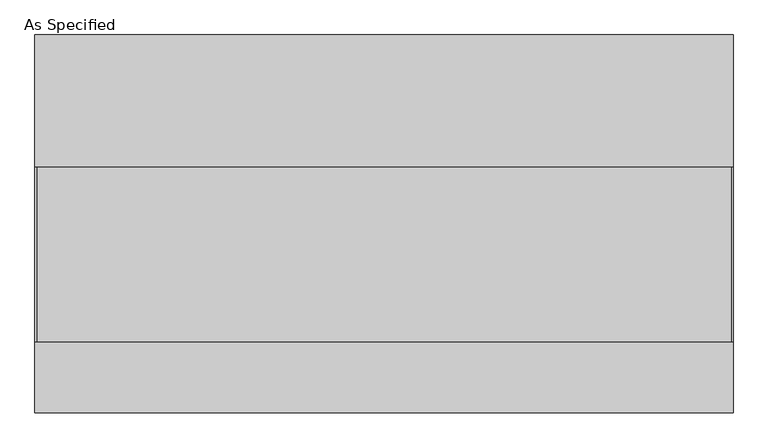
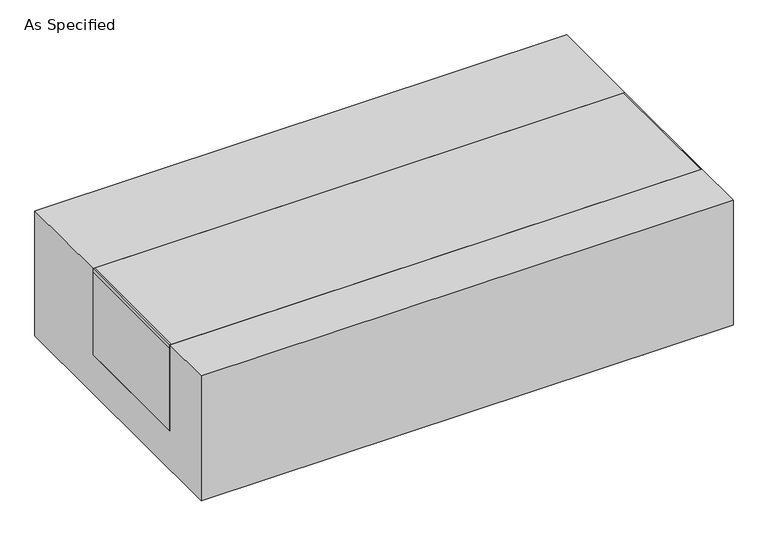
"""IFC4 building model written with IfcOpenShell, lengths in millimetres: proxy geometry, As Specified."""

from ifc_helpers import new_model, si_unit, point, frame, frame_2d, origin, place, context, project, spatial, polyline, circle_curve, trimmed, segment, composite_curve, outline, extrude, source, transform, mapped, element, save


def as_specified_6a3b7530(model_context):
    return source(origin(), model_context, "Body", "SweptSolid", [
        extrude(outline(composite_curve([segment(trimmed(circle_curve(frame_2d((694.4125, -499.275)), 10.5), [point((694.4125, -509.775))], [point((694.4125, -488.775))], False, "CARTESIAN"), True, "CONTINUOUS"), segment(trimmed(circle_curve(frame_2d((694.4125, -499.275)), 10.5), [point((694.4125, -488.775))], [point((694.4125, -509.775))], False, "CARTESIAN"), True, "CONTINUOUS")], self_intersect=False)), frame((0.0, 0.0, -562.225), z_axis=(0.0, 0.0, 1.0), x_axis=(1.0, 0.0, 0.0)), (0.0, 0.0, 1.0), 32.0),
        extrude(outline(polyline([(-1008.85625, -342.9), (-1014.4125, -342.9), (-1014.4125, 165.1), (-1008.85625, 165.1), (-1008.85625, -342.9)])), frame((0.0, 0.0, -39.6875), z_axis=(0.0, 0.0, 1.0), x_axis=(1.0, 0.0, 0.0)), (0.0, 0.0, 1.0), 14.2875),
        extrude(outline(polyline([(1010.44375, 165.1), (1014.4125, 165.1), (1014.4125, -342.9), (1010.44375, -342.9), (1010.44375, 165.1)])), frame((0.0, 0.0, -39.6875), z_axis=(0.0, 0.0, 1.0), x_axis=(1.0, 0.0, 0.0)), (0.0, 0.0, 1.0), 14.2875),
        extrude(outline(polyline([(1014.4125, 165.1), (1014.4125, -342.9), (-1014.4125, -342.9), (-1014.4125, 165.1), (1014.4125, 165.1)])), frame((0.0, 0.0, -373.0625), z_axis=(0.0, 0.0, 1.0), x_axis=(1.0, 0.0, 0.0)), (0.0, 0.0, 1.0), 347.6625),
        extrude(outline(polyline([(549.275, -25.4), (549.275, -530.225), (-549.275, -530.225), (-549.275, -25.4), (-342.9, -25.4), (-342.9, -373.0625), (165.1, -373.0625), (165.1, -25.4), (549.275, -25.4)])), frame((-1014.4125, 0.0, 0.0), z_axis=(1.0, 0.0, 0.0), x_axis=(0.0, 1.0, 0.0)), (0.0, 0.0, 1.0), 2028.825),
    ])


if __name__ == "__main__":
    model = new_model("IFC4")
    model_context = context("Model", 3, world=origin())
    ifc_project = project(units=[si_unit("LENGTHUNIT", "METRE", prefix="MILLI")], contexts=[model_context])
    site = spatial("IfcSite", under=ifc_project)
    building = spatial("IfcBuilding", under=site)
    placement = place(None, origin())
    as_specified_shape = as_specified_6a3b7530(model_context)
    element("IfcBuildingElementProxy", 1, Name="As Specified", ObjectType="As Specified", at=placement, inside=building, context=model_context, shape_type="MappedRepresentation", body=[
        mapped(as_specified_shape, transform((0.0, 0.0, 0.0), x_axis=(1.0, 0.0, 0.0), y_axis=(0.0, 1.0, 0.0), z_axis=(0.0, 0.0, 1.0))),
    ])
    save(model, "model.ifc")
